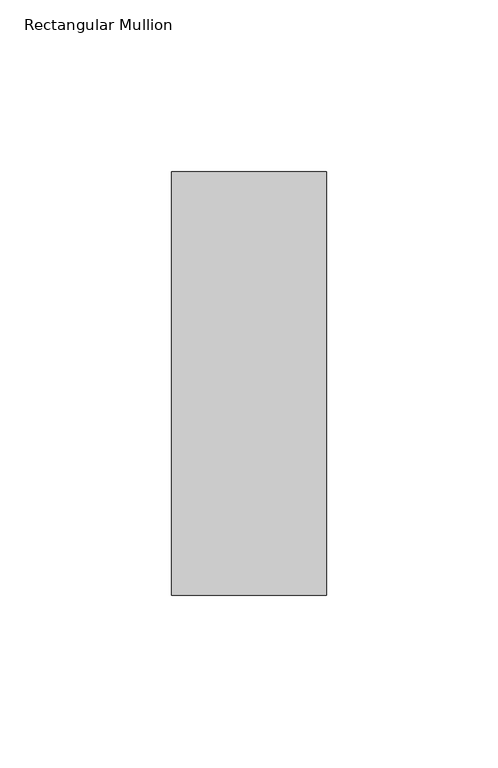
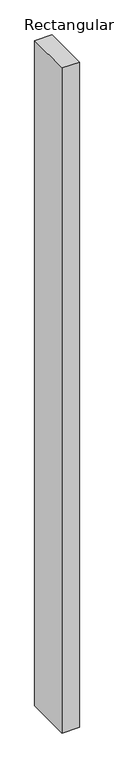
"""IFC4 building model written with IfcOpenShell, lengths in millimetres: member geometry, Rectangular Mullion."""

import ifcopenshell
import ifcopenshell.guid

model = None  # the IFC model being written
_history = None  # IfcOwnerHistory: only IFC2X3 demands one
_inside = {}  # id of a spatial element -> (the spatial element, [elements in it])
_under = {}  # id of a project, library or spatial element -> (it, [spatial elements below it])
_declared = {}  # id of a project -> (the project, [libraries it declares])
_typed = {}  # id of a type object -> (the type object, [elements of that type])
_made_of = {}  # id of a material, layer set ... -> (it, [elements and type objects made of it])


def new_model(schema):
    """Start an empty IFC model of exactly this schema.

    Asked for "IFC4X3", IfcOpenShell would pick the latest addendum, in which some entities
    have other attributes; the version numbers below select the first issue.
    IFC2X3 requires an IfcOwnerHistory on every rooted entity: one is made here for all.
    """
    global model, _history
    if schema == "IFC4X3":
        model = ifcopenshell.file(schema_version=(4, 3, 0, 0))
    else:
        model = ifcopenshell.file(schema=schema)
    _inside.clear()
    _under.clear()
    _declared.clear()
    _typed.clear()
    _made_of.clear()
    _history = None
    if model.schema == "IFC2X3":
        org = make("IfcOrganization", Name="unknown")
        user = make(
            "IfcPersonAndOrganization",
            ThePerson=make("IfcPerson", FamilyName="unknown"),
            TheOrganization=org,
        )
        app = make(
            "IfcApplication",
            ApplicationDeveloper=org,
            Version="unknown",
            ApplicationFullName="unknown",
            ApplicationIdentifier="unknown",
        )
        _history = make(
            "IfcOwnerHistory",
            OwningUser=user,
            OwningApplication=app,
            ChangeAction="ADDED",
            CreationDate=0,
        )
    return model


def make(cls, **values):
    """One entity of the class cls with the attributes given. An attribute that is None is left unset."""
    return model.create_entity(
        cls, **{name: value for name, value in values.items() if value is not None}
    )


def rooted(cls, **values):
    """An entity with a GlobalId (a new one), such as an element, a storey or a relation."""
    return make(cls, GlobalId=ifcopenshell.guid.new(), OwnerHistory=_history, **values)


def si_unit(unit_type, name, prefix=None):
    """IfcSIUnit, for example si_unit("LENGTHUNIT", "METRE", prefix="MILLI")."""
    return make("IfcSIUnit", UnitType=unit_type, Prefix=prefix, Name=name)


def assignment(units):
    """IfcUnitAssignment: the units of a project."""
    return None if units is None else make("IfcUnitAssignment", Units=units)


def point(xyz):
    """IfcCartesianPoint."""
    return None if xyz is None else make("IfcCartesianPoint", Coordinates=xyz)


def direction(xyz):
    """IfcDirection."""
    return None if xyz is None else make("IfcDirection", DirectionRatios=xyz)


def frame(location, z_axis=None, x_axis=None):
    """IfcAxis2Placement3D, a coordinate frame: its origin and axes. An axis left out is left unset."""
    return make(
        "IfcAxis2Placement3D",
        Location=point(location),
        Axis=direction(z_axis),
        RefDirection=direction(x_axis),
    )


def origin():
    """The frame at (0, 0, 0) with its axes left unset."""
    return frame((0.0, 0.0, 0.0))


def place(relative_to, where):
    """IfcLocalPlacement: puts the frame where relative to a parent placement (None: the world)."""
    return make(
        "IfcLocalPlacement", PlacementRelTo=relative_to, RelativePlacement=where
    )


def context(
    kind, dimensions, precision=None, world=None, true_north=None, identifier=None
):
    """IfcGeometricRepresentationContext, for example the 3D "Model" context."""
    return make(
        "IfcGeometricRepresentationContext",
        ContextIdentifier=identifier,
        ContextType=kind,
        CoordinateSpaceDimension=dimensions,
        Precision=precision,
        WorldCoordinateSystem=world,
        TrueNorth=true_north,
    )


def project(units=None, contexts=None):
    """IfcProject with its units and contexts."""
    return rooted(
        "IfcProject",
        Name="project",
        RepresentationContexts=contexts,
        UnitsInContext=assignment(units),
    )


def spatial(cls, under=None, at=None, **own):
    """A site, building, storey or space (cls), placed at a placement, below another one or the project."""
    s = rooted(cls, ObjectPlacement=at, **own)
    if under is not None:
        _under.setdefault(under.id(), (under, []))[1].append(s)
    return s


def polyline(points):
    """IfcPolyline through the points."""
    return make("IfcPolyline", Points=[point(p) for p in points])


def outline(outer, holes=None, kind="AREA"):
    """IfcArbitraryClosedProfileDef: a profile drawn as a closed curve; with holes, ...WithVoids."""
    if holes is None:
        return make("IfcArbitraryClosedProfileDef", ProfileType=kind, OuterCurve=outer)
    return make(
        "IfcArbitraryProfileDefWithVoids",
        ProfileType=kind,
        OuterCurve=outer,
        InnerCurves=holes,
    )


def extrude(swept, where, along, depth):
    """IfcExtrudedAreaSolid: the profile swept, set in the frame where, extruded along a direction by depth."""
    return make(
        "IfcExtrudedAreaSolid",
        SweptArea=swept,
        Position=where,
        ExtrudedDirection=direction(along),
        Depth=depth,
    )


def shape(context_of_items, identifier, shape_type, items):
    """IfcShapeRepresentation: the items that make up one representation, for example the "Body"."""
    return make(
        "IfcShapeRepresentation",
        ContextOfItems=context_of_items,
        RepresentationIdentifier=identifier,
        RepresentationType=shape_type,
        Items=items,
    )


def source(mapping_origin, context_of_items, identifier, shape_type, items):
    """IfcRepresentationMap: a shape defined once, which mapped items show again and again."""
    return make(
        "IfcRepresentationMap",
        MappingOrigin=mapping_origin,
        MappedRepresentation=shape(context_of_items, identifier, shape_type, items),
    )


def transform(
    local_origin,
    x_axis=None,
    y_axis=None,
    z_axis=None,
    scale=None,
    scale2=None,
    scale3=None,
    uniform=True,
):
    """IfcCartesianTransformationOperator3D, or its non-uniform kind. x_axis, y_axis, z_axis: its Axis1, 2, 3."""
    if uniform:
        return make(
            "IfcCartesianTransformationOperator3D",
            Axis1=direction(x_axis),
            Axis2=direction(y_axis),
            LocalOrigin=point(local_origin),
            Scale=scale,
            Axis3=direction(z_axis),
        )
    return make(
        "IfcCartesianTransformationOperator3DnonUniform",
        Axis1=direction(x_axis),
        Axis2=direction(y_axis),
        LocalOrigin=point(local_origin),
        Scale=scale,
        Axis3=direction(z_axis),
        Scale2=scale2,
        Scale3=scale3,
    )


def mapped(mapping_source, mapping_target):
    """IfcMappedItem: shows the shape of a source again, moved by a transform."""
    return make(
        "IfcMappedItem", MappingSource=mapping_source, MappingTarget=mapping_target
    )


def made_of(thing, what):
    """Note that an element or type object is made of a material, layer set ...; save() writes the relation."""
    if what is not None:
        _made_of.setdefault(what.id(), (what, []))[1].append(thing)
    return thing


def element(
    cls,
    number,
    at=None,
    inside=None,
    cuts=None,
    type_object=None,
    material=None,
    context=None,
    identifier="Body",
    shape_type=None,
    held_by="IfcProductDefinitionShape",
    body=None,
    shapes=None,
    **own,
):
    """One element of the class cls, such as IfcWall. Its Tag is "e" and its number.

    at: its placement. inside: the storey or other place that contains it. cuts: it is an
    opening in that element (IfcRelVoidsElement). A single representation is given by context,
    identifier, shape_type and body (its items); several are given by shapes. held_by: the class
    of the entity that holds the representations. save() writes the other relations.
    """
    e = rooted(cls, Tag="e%d" % number, ObjectPlacement=at, **own)
    if body is not None:
        shapes = [shape(context, identifier, shape_type, body)]
    if shapes is not None:
        e.Representation = make(held_by, Representations=shapes)
    if inside is not None:
        _inside.setdefault(inside.id(), (inside, []))[1].append(e)
    if cuts is not None:
        rooted(
            "IfcRelVoidsElement", RelatingBuildingElement=cuts, RelatedOpeningElement=e
        )
    if type_object is not None:
        _typed.setdefault(type_object.id(), (type_object, []))[1].append(e)
    return made_of(e, material)


def aggregate(whole, parts):
    """IfcRelAggregates: a whole, such as a stair, and the parts it consists of."""
    return rooted("IfcRelAggregates", RelatingObject=whole, RelatedObjects=parts)


def save(model, path):
    """Write the relations noted so far, then the file.

    IfcRelAggregates (storeys below a building ...), IfcRelContainedInSpatialStructure (elements
    in a storey), IfcRelDefinesByType, IfcRelAssociatesMaterial and IfcRelDeclares: one each for
    every whole, place, type object, material and project.
    """
    for whole, parts in _under.values():
        aggregate(whole, parts)
    for where, things in _inside.values():
        rooted(
            "IfcRelContainedInSpatialStructure",
            RelatedElements=things,
            RelatingStructure=where,
        )
    for kind, things in _typed.values():
        rooted("IfcRelDefinesByType", RelatedObjects=things, RelatingType=kind)
    for what, things in _made_of.values():
        rooted("IfcRelAssociatesMaterial", RelatedObjects=things, RelatingMaterial=what)
    for by, libraries in _declared.values():
        rooted("IfcRelDeclares", RelatingContext=by, RelatedDefinitions=libraries)
    model.write(path)


def rectangular_mullion_c7fed280(model_context):
    return source(origin(), model_context, "Body", "SweptSolid", [
        extrude(outline(polyline([(22.5, 77.05), (22.5, -46.05), (-22.5, -46.05), (-22.5, 77.05), (22.5, 77.05)])), frame((0.0, 0.0, -1828.8), z_axis=(0.0, 0.0, 1.0), x_axis=(1.0, 0.0, 0.0)), (0.0, 0.0, 1.0), 1828.8),
    ])


if __name__ == "__main__":
    model = new_model("IFC4")
    model_context = context("Model", 3, world=origin())
    ifc_project = project(units=[si_unit("LENGTHUNIT", "METRE", prefix="MILLI")], contexts=[model_context])
    site = spatial("IfcSite", under=ifc_project)
    building = spatial("IfcBuilding", under=site)
    placement = place(None, origin())
    rectangular_mullion_shape = rectangular_mullion_c7fed280(model_context)
    element("IfcMember", 1, ObjectType="Rectangular Mullion", at=placement, inside=building, context=model_context, shape_type="MappedRepresentation", body=[
        mapped(rectangular_mullion_shape, transform((0.0, 0.0, 0.0), x_axis=(1.0, 0.0, 0.0), y_axis=(0.0, 1.0, 0.0), z_axis=(0.0, 0.0, 1.0))),
    ])
    save(model, "model.ifc")
